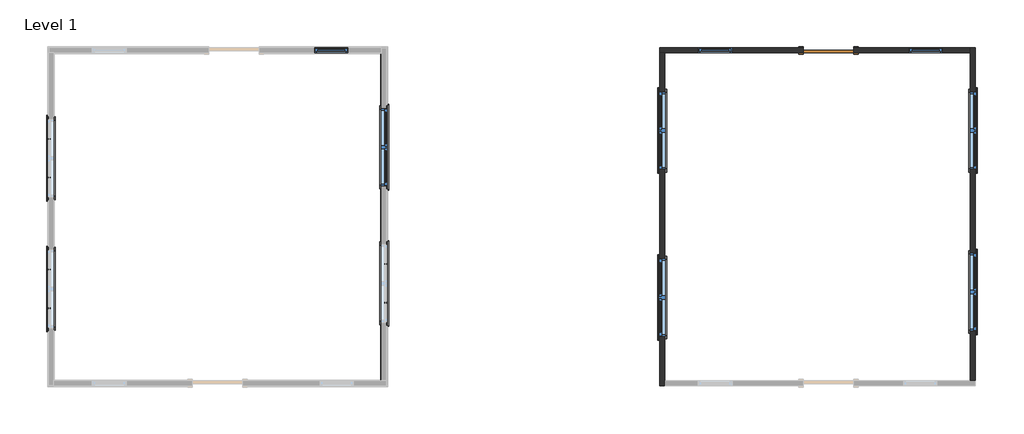
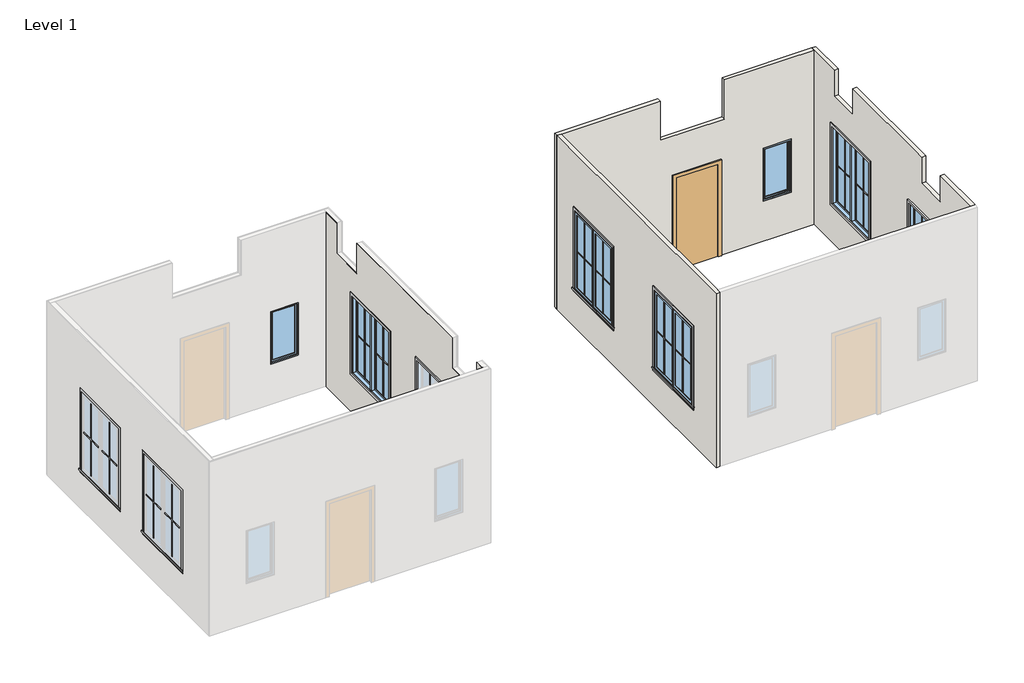
# One storey, part 2 of 2: 32 proxies, 8 windows, 4 walls, 1 door.
"""IFC4 building model written with IfcOpenShell, lengths in millimetres."""

import ifcopenshell
import ifcopenshell.guid

model = None  # the IFC model being written
_history = None  # IfcOwnerHistory: only IFC2X3 demands one
_inside = {}  # id of a spatial element -> (the spatial element, [elements in it])
_under = {}  # id of a project, library or spatial element -> (it, [spatial elements below it])
_declared = {}  # id of a project -> (the project, [libraries it declares])
_typed = {}  # id of a type object -> (the type object, [elements of that type])
_made_of = {}  # id of a material, layer set ... -> (it, [elements and type objects made of it])


def new_model(schema):
    """Start an empty IFC model of exactly this schema.

    Asked for "IFC4X3", IfcOpenShell would pick the latest addendum, in which some entities
    have other attributes; the version numbers below select the first issue.
    IFC2X3 requires an IfcOwnerHistory on every rooted entity: one is made here for all.
    """
    global model, _history
    if schema == "IFC4X3":
        model = ifcopenshell.file(schema_version=(4, 3, 0, 0))
    else:
        model = ifcopenshell.file(schema=schema)
    _inside.clear()
    _under.clear()
    _declared.clear()
    _typed.clear()
    _made_of.clear()
    _history = None
    if model.schema == "IFC2X3":
        org = make("IfcOrganization", Name="unknown")
        user = make(
            "IfcPersonAndOrganization",
            ThePerson=make("IfcPerson", FamilyName="unknown"),
            TheOrganization=org,
        )
        app = make(
            "IfcApplication",
            ApplicationDeveloper=org,
            Version="unknown",
            ApplicationFullName="unknown",
            ApplicationIdentifier="unknown",
        )
        _history = make(
            "IfcOwnerHistory",
            OwningUser=user,
            OwningApplication=app,
            ChangeAction="ADDED",
            CreationDate=0,
        )
    return model


def make(cls, **values):
    """One entity of the class cls with the attributes given. An attribute that is None is left unset."""
    return model.create_entity(
        cls, **{name: value for name, value in values.items() if value is not None}
    )


def rooted(cls, **values):
    """An entity with a GlobalId (a new one), such as an element, a storey or a relation."""
    return make(cls, GlobalId=ifcopenshell.guid.new(), OwnerHistory=_history, **values)


def si_unit(unit_type, name, prefix=None):
    """IfcSIUnit, for example si_unit("LENGTHUNIT", "METRE", prefix="MILLI")."""
    return make("IfcSIUnit", UnitType=unit_type, Prefix=prefix, Name=name)


def assignment(units):
    """IfcUnitAssignment: the units of a project."""
    return None if units is None else make("IfcUnitAssignment", Units=units)


def point(xyz):
    """IfcCartesianPoint."""
    return None if xyz is None else make("IfcCartesianPoint", Coordinates=xyz)


def direction(xyz):
    """IfcDirection."""
    return None if xyz is None else make("IfcDirection", DirectionRatios=xyz)


def frame(location, z_axis=None, x_axis=None):
    """IfcAxis2Placement3D, a coordinate frame: its origin and axes. An axis left out is left unset."""
    return make(
        "IfcAxis2Placement3D",
        Location=point(location),
        Axis=direction(z_axis),
        RefDirection=direction(x_axis),
    )


def origin():
    """The frame at (0, 0, 0) with its axes left unset."""
    return frame((0.0, 0.0, 0.0))


def origin_with_axes():
    """The frame at (0, 0, 0) with the z axis (0, 0, 1) and the x axis (1, 0, 0) written out."""
    return frame((0.0, 0.0, 0.0), z_axis=(0.0, 0.0, 1.0), x_axis=(1.0, 0.0, 0.0))


def place(relative_to, where):
    """IfcLocalPlacement: puts the frame where relative to a parent placement (None: the world)."""
    return make(
        "IfcLocalPlacement", PlacementRelTo=relative_to, RelativePlacement=where
    )


def context(
    kind, dimensions, precision=None, world=None, true_north=None, identifier=None
):
    """IfcGeometricRepresentationContext, for example the 3D "Model" context."""
    return make(
        "IfcGeometricRepresentationContext",
        ContextIdentifier=identifier,
        ContextType=kind,
        CoordinateSpaceDimension=dimensions,
        Precision=precision,
        WorldCoordinateSystem=world,
        TrueNorth=true_north,
    )


def project(units=None, contexts=None):
    """IfcProject with its units and contexts."""
    return rooted(
        "IfcProject",
        Name="project",
        RepresentationContexts=contexts,
        UnitsInContext=assignment(units),
    )


def spatial(cls, under=None, at=None, **own):
    """A site, building, storey or space (cls), placed at a placement, below another one or the project."""
    s = rooted(cls, ObjectPlacement=at, **own)
    if under is not None:
        _under.setdefault(under.id(), (under, []))[1].append(s)
    return s


def polyline(points):
    """IfcPolyline through the points."""
    return make("IfcPolyline", Points=[point(p) for p in points])


def outline(outer, holes=None, kind="AREA"):
    """IfcArbitraryClosedProfileDef: a profile drawn as a closed curve; with holes, ...WithVoids."""
    if holes is None:
        return make("IfcArbitraryClosedProfileDef", ProfileType=kind, OuterCurve=outer)
    return make(
        "IfcArbitraryProfileDefWithVoids",
        ProfileType=kind,
        OuterCurve=outer,
        InnerCurves=holes,
    )


def extrude(swept, where, along, depth):
    """IfcExtrudedAreaSolid: the profile swept, set in the frame where, extruded along a direction by depth."""
    return make(
        "IfcExtrudedAreaSolid",
        SweptArea=swept,
        Position=where,
        ExtrudedDirection=direction(along),
        Depth=depth,
    )


def faces_of(points, faces, orient=None, outer=None):
    """IfcFace entities. A face is a list of loops; a loop is a list of indices into points, from 0.

    orient and outer hold one flag for each loop. By default every Orientation is true, the
    first loop of a face is its IfcFaceOuterBound and the others are IfcFaceBound.
    """
    made = []
    for i, loops in enumerate(faces):
        bounds = []
        for j, loop in enumerate(loops):
            is_outer = j == 0 if outer is None else outer[i][j]
            bounds.append(
                make(
                    "IfcFaceOuterBound" if is_outer else "IfcFaceBound",
                    Bound=make("IfcPolyLoop", Polygon=[points[k] for k in loop]),
                    Orientation=True if orient is None else orient[i][j],
                )
            )
        made.append(make("IfcFace", Bounds=bounds))
    return made


def faceted_brep(points, faces, orient=None, outer=None, voids=None):
    """IfcFacetedBrep: a solid bounded by flat faces; with voids (closed shells), ...WithVoids."""
    shared = [point(p) for p in points]
    hull = make("IfcClosedShell", CfsFaces=faces_of(shared, faces, orient, outer))
    if voids is None:
        return make("IfcFacetedBrep", Outer=hull)
    return make(
        "IfcFacetedBrepWithVoids",
        Outer=hull,
        Voids=[
            make(cls, CfsFaces=faces_of(shared, fs, o, b)) for cls, fs, o, b in voids
        ],
    )


def shape(context_of_items, identifier, shape_type, items):
    """IfcShapeRepresentation: the items that make up one representation, for example the "Body"."""
    return make(
        "IfcShapeRepresentation",
        ContextOfItems=context_of_items,
        RepresentationIdentifier=identifier,
        RepresentationType=shape_type,
        Items=items,
    )


def source(mapping_origin, context_of_items, identifier, shape_type, items):
    """IfcRepresentationMap: a shape defined once, which mapped items show again and again."""
    return make(
        "IfcRepresentationMap",
        MappingOrigin=mapping_origin,
        MappedRepresentation=shape(context_of_items, identifier, shape_type, items),
    )


def transform(
    local_origin,
    x_axis=None,
    y_axis=None,
    z_axis=None,
    scale=None,
    scale2=None,
    scale3=None,
    uniform=True,
):
    """IfcCartesianTransformationOperator3D, or its non-uniform kind. x_axis, y_axis, z_axis: its Axis1, 2, 3."""
    if uniform:
        return make(
            "IfcCartesianTransformationOperator3D",
            Axis1=direction(x_axis),
            Axis2=direction(y_axis),
            LocalOrigin=point(local_origin),
            Scale=scale,
            Axis3=direction(z_axis),
        )
    return make(
        "IfcCartesianTransformationOperator3DnonUniform",
        Axis1=direction(x_axis),
        Axis2=direction(y_axis),
        LocalOrigin=point(local_origin),
        Scale=scale,
        Axis3=direction(z_axis),
        Scale2=scale2,
        Scale3=scale3,
    )


def mapped(mapping_source, mapping_target):
    """IfcMappedItem: shows the shape of a source again, moved by a transform."""
    return make(
        "IfcMappedItem", MappingSource=mapping_source, MappingTarget=mapping_target
    )


def made_of(thing, what):
    """Note that an element or type object is made of a material, layer set ...; save() writes the relation."""
    if what is not None:
        _made_of.setdefault(what.id(), (what, []))[1].append(thing)
    return thing


def element(
    cls,
    number,
    at=None,
    inside=None,
    cuts=None,
    type_object=None,
    material=None,
    context=None,
    identifier="Body",
    shape_type=None,
    held_by="IfcProductDefinitionShape",
    body=None,
    shapes=None,
    **own,
):
    """One element of the class cls, such as IfcWall. Its Tag is "e" and its number.

    at: its placement. inside: the storey or other place that contains it. cuts: it is an
    opening in that element (IfcRelVoidsElement). A single representation is given by context,
    identifier, shape_type and body (its items); several are given by shapes. held_by: the class
    of the entity that holds the representations. save() writes the other relations.
    """
    e = rooted(cls, Tag="e%d" % number, ObjectPlacement=at, **own)
    if body is not None:
        shapes = [shape(context, identifier, shape_type, body)]
    if shapes is not None:
        e.Representation = make(held_by, Representations=shapes)
    if inside is not None:
        _inside.setdefault(inside.id(), (inside, []))[1].append(e)
    if cuts is not None:
        rooted(
            "IfcRelVoidsElement", RelatingBuildingElement=cuts, RelatedOpeningElement=e
        )
    if type_object is not None:
        _typed.setdefault(type_object.id(), (type_object, []))[1].append(e)
    return made_of(e, material)


def aggregate(whole, parts):
    """IfcRelAggregates: a whole, such as a stair, and the parts it consists of."""
    return rooted("IfcRelAggregates", RelatingObject=whole, RelatedObjects=parts)


def save(model, path):
    """Write the relations noted so far, then the file.

    IfcRelAggregates (storeys below a building ...), IfcRelContainedInSpatialStructure (elements
    in a storey), IfcRelDefinesByType, IfcRelAssociatesMaterial and IfcRelDeclares: one each for
    every whole, place, type object, material and project.
    """
    for whole, parts in _under.values():
        aggregate(whole, parts)
    for where, things in _inside.values():
        rooted(
            "IfcRelContainedInSpatialStructure",
            RelatedElements=things,
            RelatingStructure=where,
        )
    for kind, things in _typed.values():
        rooted("IfcRelDefinesByType", RelatedObjects=things, RelatingType=kind)
    for what, things in _made_of.values():
        rooted("IfcRelAssociatesMaterial", RelatedObjects=things, RelatingMaterial=what)
    for by, libraries in _declared.values():
        rooted("IfcRelDeclares", RelatingContext=by, RelatedDefinitions=libraries)
    model.write(path)


def m_muntin_pattern_2x2_m_muntin_pattern_2x2_d2d4b859(model_context):
    return source(origin(), model_context, "Body", "SweptSolid", [
        extrude(outline(polyline([(836.5, -6.35), (836.5, -281.7375), (823.8, -281.7375), (823.8, -6.35), (0.0, -6.35), (0.0, 6.35), (823.8, 6.35), (823.8, 281.7375), (836.5, 281.7375), (836.5, 6.35), (1660.3, 6.35), (1660.3, -6.35), (836.5, -6.35)])), frame((0.0, 9.525, 0.0), z_axis=(0.0, 1.0, 0.0), x_axis=(0.0, 0.0, 1.0)), (0.0, 0.0, 1.0), 12.7),
        extrude(outline(polyline([(836.5, -6.35), (836.5, -281.7375), (823.8, -281.7375), (823.8, -6.35), (0.0, -6.35), (0.0, 6.35), (823.8, 6.35), (823.8, 281.7375), (836.5, 281.7375), (836.5, 6.35), (1660.3, 6.35), (1660.3, -6.35), (836.5, -6.35)])), frame((0.0, -22.225, 0.0), z_axis=(0.0, 1.0, 0.0), x_axis=(0.0, 0.0, 1.0)), (0.0, 0.0, 1.0), 12.7),
    ])


def m_muntin_pattern_2x2_m_muntin_pattern_2x2_f3921bb5(model_context):
    return source(origin(), model_context, "Body", "SweptSolid", [
        extrude(outline(polyline([(836.5, -6.35), (836.5, -281.7375), (823.8, -281.7375), (823.8, -6.35), (0.0, -6.35), (0.0, 6.35), (823.8, 6.35), (823.8, 281.7375), (836.5, 281.7375), (836.5, 6.35), (1660.3, 6.35), (1660.3, -6.35), (836.5, -6.35)])), frame((0.0, -22.225, 0.0), z_axis=(0.0, 1.0, 0.0), x_axis=(0.0, 0.0, 1.0)), (0.0, 0.0, 1.0), 12.7),
        extrude(outline(polyline([(836.5, -6.35), (836.5, -281.7375), (823.8, -281.7375), (823.8, -6.35), (0.0, -6.35), (0.0, 6.35), (823.8, 6.35), (823.8, 281.7375), (836.5, 281.7375), (836.5, 6.35), (1660.3, 6.35), (1660.3, -6.35), (836.5, -6.35)])), frame((0.0, 9.525, 0.0), z_axis=(0.0, 1.0, 0.0), x_axis=(0.0, 0.0, 1.0)), (0.0, 0.0, 1.0), 12.7),
    ])


def m_trim_window_exterior_flat_with_sill_136e302d(model_context):
    return source(origin(), model_context, "Body", "SweptSolid", [
        extrude(outline(polyline([(760.0, -1820.4323709), (760.0, -1880.4323709), (-760.0, -1880.4323709), (-760.0, -1820.4323709), (760.0, -1820.4323709)])), origin_with_axes(), (0.0, 0.0, 1.0), 19.05),
        extrude(outline(polyline([(-1830.0, 38.1), (-1802.4580645, 38.1), (-1800.0, 19.05), (-1800.0, 0.0), (-1820.4323709, 0.0), (-1820.4323709, 19.05), (-1830.0, 19.05), (-1830.0, 38.1)])), frame((-772.7, 0.0, 0.0), z_axis=(1.0, 0.0, 0.0), x_axis=(0.0, 1.0, 0.0)), (0.0, 0.0, 1.0), 1545.4),
        extrude(outline(polyline([(-760.0, 60.0), (760.0, 60.0), (760.0, -1800.0), (700.0, -1800.0), (700.0, 0.0), (-700.0, 0.0), (-700.0, -1800.0), (-760.0, -1800.0), (-760.0, 60.0)])), origin_with_axes(), (0.0, 0.0, 1.0), 19.05),
    ])


def m_trim_window_interior_flat_picture_frame_c6c50358(model_context):
    return source(origin(), model_context, "Body", "SweptSolid", [
        extrude(outline(polyline([(747.3, 47.3), (747.3, -1847.3), (-747.3, -1847.3), (-747.3, 47.3), (747.3, 47.3)]), holes=[polyline([(687.3, -12.7), (-687.3, -12.7), (-687.3, -1787.3), (687.3, -1787.3), (687.3, -12.7)])]), origin_with_axes(), (0.0, 0.0, 1.0), 30.0),
    ])


def m_single_flush_0915_x_2134mm_342467fd(model_context):
    return source(origin(), model_context, "Body", "SweptSolid", [
        extrude(outline(polyline([(2210.0, -533.5), (0.0, -533.5), (0.0, -457.5), (2134.0, -457.5), (2134.0, 457.5), (0.0, 457.5), (0.0, 533.5), (2210.0, 533.5), (2210.0, -533.5)])), frame((0.0, 45.0, 0.0), z_axis=(0.0, 1.0, 0.0), x_axis=(0.0, 0.0, 1.0)), (0.0, 0.0, 1.0), 25.0),
        extrude(outline(polyline([(2210.0, 533.5), (2210.0, -533.5), (0.0, -533.5), (0.0, -457.5), (2134.0, -457.5), (2134.0, 457.5), (0.0, 457.5), (0.0, 533.5), (2210.0, 533.5)])), frame((0.0, -70.0, 0.0), z_axis=(0.0, 1.0, 0.0), x_axis=(0.0, 0.0, 1.0)), (0.0, 0.0, 1.0), 25.0),
        extrude(outline(polyline([(457.5, -6.0), (-457.5, -6.0), (-457.5, 45.0), (457.5, 45.0), (457.5, -6.0)])), origin_with_axes(), (0.0, 0.0, 1.0), 2134.0),
    ])


def m_fixed_0610_x_1220mm_3442b736(model_context):
    return source(origin(), model_context, "Body", "SweptSolid", [
        extrude(outline(polyline([(-242.0, 23.0), (242.0, 23.0), (242.0, 11.0), (-242.0, 11.0), (-242.0, 23.0)])), frame((0.0, 0.0, 978.0), z_axis=(0.0, 0.0, 1.0), x_axis=(1.0, 0.0, 0.0)), (0.0, 0.0, 1.0), 1094.0),
        extrude(outline(polyline([(2116.0, -286.0), (934.0, -286.0), (934.0, 286.0), (2116.0, 286.0), (2116.0, -286.0)]), holes=[polyline([(2072.0, -242.0), (2072.0, 242.0), (978.0, 242.0), (978.0, -242.0), (2072.0, -242.0)])]), frame((0.0, -5.0, 0.0), z_axis=(0.0, 1.0, 0.0), x_axis=(0.0, 0.0, 1.0)), (0.0, 0.0, 1.0), 44.0),
        extrude(outline(polyline([(2135.0, -305.0), (915.0, -305.0), (915.0, 305.0), (2135.0, 305.0), (2135.0, -305.0)]), holes=[polyline([(2116.0, -286.0), (2116.0, 286.0), (934.0, 286.0), (934.0, -286.0), (2116.0, -286.0)])]), frame((0.0, -5.0, 0.0), z_axis=(0.0, 1.0, 0.0), x_axis=(0.0, 0.0, 1.0)), (0.0, 0.0, 1.0), 63.0),
        extrude(outline(polyline([(2135.0, -305.0), (915.0, -305.0), (915.0, 305.0), (2135.0, 305.0), (2135.0, -305.0)]), holes=[polyline([(2103.0, -273.0), (2103.0, 273.0), (947.0, 273.0), (947.0, -273.0), (2103.0, -273.0)])]), frame((0.0, -32.0, 0.0), z_axis=(0.0, 1.0, 0.0), x_axis=(0.0, 0.0, 1.0)), (0.0, 0.0, 1.0), 27.0),
    ])


def m_window_casement_double_1400_x_1800mm_9bbf564a(model_context):
    return source(origin(), model_context, "Body", "SolidModel", [
        faceted_brep([(9.525, 64.05, 2687.3), (-9.525, 64.05, 2687.3), (-9.525, 13.25, 2687.3), (9.525, 13.25, 2687.3), (9.525, 64.05, 912.7), (9.525, 13.25, 912.7), (-9.525, 13.25, 912.7), (-9.525, 64.05, 912.7), (-9.525, 13.25, 931.75), (-9.525, 13.25, 2668.25), (-30.1625, 13.25, 931.75), (-30.1625, 13.25, 2668.25), (-30.1625, -50.25, 931.75), (-30.1625, -50.25, 2668.25), (30.1625, -50.25, 931.75), (30.1625, -50.25, 2668.25), (30.1625, 13.25, 931.75), (30.1625, 13.25, 2668.25), (9.525, 13.25, 931.75), (9.525, 13.25, 2668.25)], [[[0, 1, 2, 3]], [[4, 5, 6, 7]], [[1, 0, 4, 7]], [[2, 1, 7, 6, 8, 9]], [[9, 8, 10, 11]], [[11, 10, 12, 13]], [[13, 12, 14, 15]], [[15, 14, 16, 17]], [[17, 16, 18, 19]], [[0, 3, 19, 18, 5, 4]], [[18, 8, 6, 5]], [[9, 19, 3, 2]], [[8, 18, 16, 14, 12, 10]], [[19, 9, 11, 13, 15, 17]]]),
        extrude(outline(polyline([(-66.675, 45.0), (-66.675, 38.65), (-630.15, 38.65), (-630.15, 45.0), (-66.675, 45.0)])), frame((0.0, 0.0, 969.85), z_axis=(0.0, 0.0, 1.0), x_axis=(1.0, 0.0, 0.0)), (0.0, 0.0, 1.0), 1660.3),
        extrude(outline(polyline([(-630.15, 25.95), (-630.15, 32.3), (-66.675, 32.3), (-66.675, 25.95), (-630.15, 25.95)])), frame((0.0, 0.0, 969.85), z_axis=(0.0, 0.0, 1.0), x_axis=(1.0, 0.0, 0.0)), (0.0, 0.0, 1.0), 1660.3),
        extrude(outline(polyline([(630.15, 45.0), (630.15, 38.65), (66.675, 38.65), (66.675, 45.0), (630.15, 45.0)])), frame((0.0, 0.0, 969.85), z_axis=(0.0, 0.0, 1.0), x_axis=(1.0, 0.0, 0.0)), (0.0, 0.0, 1.0), 1660.3),
        extrude(outline(polyline([(66.675, 25.95), (66.675, 32.3), (630.15, 32.3), (630.15, 25.95), (66.675, 25.95)])), frame((0.0, 0.0, 969.85), z_axis=(0.0, 0.0, 1.0), x_axis=(1.0, 0.0, 0.0)), (0.0, 0.0, 1.0), 1660.3),
        extrude(outline(polyline([(2687.3, -687.3), (912.7, -687.3), (912.7, -9.525), (2687.3, -9.525), (2687.3, -687.3)]), holes=[polyline([(2630.15, -66.675), (969.85, -66.675), (969.85, -630.15), (2630.15, -630.15), (2630.15, -66.675)])]), frame((0.0, 13.25, 0.0), z_axis=(0.0, 1.0, 0.0), x_axis=(0.0, 0.0, 1.0)), (0.0, 0.0, 1.0), 44.45),
        extrude(outline(polyline([(912.7, 687.3), (2687.3, 687.3), (2687.3, 9.525), (912.7, 9.525), (912.7, 687.3)]), holes=[polyline([(969.85, 66.675), (2630.15, 66.675), (2630.15, 630.15), (969.85, 630.15), (969.85, 66.675)])]), frame((0.0, 13.25, 0.0), z_axis=(0.0, 1.0, 0.0), x_axis=(0.0, 0.0, 1.0)), (0.0, 0.0, 1.0), 44.45),
        faceted_brep([(668.25, 13.25, 2668.25), (668.25, -50.25, 2668.25), (-668.25, -50.25, 2668.25), (-668.25, 13.25, 2668.25), (687.3, 64.05, 2687.3), (687.3, 13.25, 2687.3), (-687.3, 13.25, 2687.3), (-687.3, 64.05, 2687.3), (700.0, -50.25, 2700.0), (700.0, 64.05, 2700.0), (-700.0, 64.05, 2700.0), (-700.0, -50.25, 2700.0), (-668.25, -50.25, 931.75), (-668.25, 13.25, 931.75), (-687.3, 13.25, 912.7), (-687.3, 64.05, 912.7), (-700.0, 64.05, 900.0), (-700.0, -50.25, 900.0), (668.25, -50.25, 931.75), (668.25, 13.25, 931.75), (687.3, 13.25, 912.7), (687.3, 64.05, 912.7), (700.0, 64.05, 900.0), (700.0, -50.25, 900.0)], [[[0, 1, 2, 3]], [[4, 5, 6, 7]], [[8, 9, 10, 11]], [[3, 2, 12, 13]], [[7, 6, 14, 15]], [[11, 10, 16, 17]], [[13, 12, 18, 19]], [[15, 14, 20, 21]], [[17, 16, 22, 23]], [[11, 17, 23, 8], [1, 18, 12, 2]], [[19, 18, 1, 0]], [[5, 20, 14, 6], [3, 13, 19, 0]], [[21, 20, 5, 4]], [[23, 22, 9, 8]], [[9, 22, 16, 10], [7, 15, 21, 4]]]),
    ])


model = new_model("IFC4")

# Units and contexts
model_context = context("Model", 3, world=origin())
ifc_project = project(units=[si_unit("LENGTHUNIT", "METRE", prefix="MILLI")], contexts=[model_context])

# Site, building, storey
site = spatial("IfcSite", under=ifc_project)
building = spatial("IfcBuilding", under=site)
storey = spatial("IfcBuildingStorey", under=building, Name="Level 1", Elevation=0.0)

# Proxies
placement = place(None, origin())
m_muntin_pattern_2x2_m_muntin_pattern_2x2_shape = m_muntin_pattern_2x2_m_muntin_pattern_2x2_d2d4b859(model_context)
element("IfcBuildingElementProxy", 1, Name="M_Muntin Pattern_2x2 : M_Muntin Pattern_2x2", ObjectType="M_Muntin Pattern_2x2 : M_Muntin Pattern_2x2", at=placement, inside=storey, context=model_context, shape_type="MappedRepresentation", body=[
    mapped(m_muntin_pattern_2x2_m_muntin_pattern_2x2_shape, transform((-4899.9797201, 2783.2334401, 969.85), x_axis=(0.0, 1.0, 0.0), y_axis=(-1.0, 0.0, 0.0), z_axis=(0.0, 0.0, 1.0))),
])
element("IfcBuildingElementProxy", 2, Name="M_Muntin Pattern_2x2 : M_Muntin Pattern_2x2", ObjectType="M_Muntin Pattern_2x2 : M_Muntin Pattern_2x2", at=placement, inside=storey, context=model_context, shape_type="MappedRepresentation", body=[
    mapped(m_muntin_pattern_2x2_m_muntin_pattern_2x2_shape, transform((-4899.9797201, 428.2334401, 969.85), x_axis=(0.0, 1.0, 0.0), y_axis=(-1.0, 0.0, 0.0), z_axis=(0.0, 0.0, 1.0))),
])
element("IfcBuildingElementProxy", 3, Name="M_Muntin Pattern_2x2 : M_Muntin Pattern_2x2", ObjectType="M_Muntin Pattern_2x2 : M_Muntin Pattern_2x2", at=placement, inside=storey, context=model_context, shape_type="MappedRepresentation", body=[
    mapped(m_muntin_pattern_2x2_m_muntin_pattern_2x2_shape, transform((1170.9702799, 3680.0584401, 969.85), x_axis=(0.0, -1.0, 0.0), y_axis=(1.0, 0.0, 0.0), z_axis=(0.0, 0.0, 1.0))),
])
element("IfcBuildingElementProxy", 4, Name="M_Muntin Pattern_2x2 : M_Muntin Pattern_2x2", ObjectType="M_Muntin Pattern_2x2 : M_Muntin Pattern_2x2", at=placement, inside=storey, context=model_context, shape_type="MappedRepresentation", body=[
    mapped(m_muntin_pattern_2x2_m_muntin_pattern_2x2_shape, transform((1170.9702799, 1225.0584401, 969.85), x_axis=(0.0, -1.0, 0.0), y_axis=(1.0, 0.0, 0.0), z_axis=(0.0, 0.0, 1.0))),
])
element("IfcBuildingElementProxy", 5, Name="M_Muntin Pattern_2x2 : M_Muntin Pattern_2x2", ObjectType="M_Muntin Pattern_2x2 : M_Muntin Pattern_2x2", at=placement, inside=storey, context=model_context, shape_type="MappedRepresentation", body=[
    mapped(m_muntin_pattern_2x2_m_muntin_pattern_2x2_shape, transform((6121.4761173, 3283.2334401, 969.85), x_axis=(0.0, 1.0, 0.0), y_axis=(-1.0, 0.0, 0.0), z_axis=(0.0, 0.0, 1.0))),
])
element("IfcBuildingElementProxy", 6, Name="M_Muntin Pattern_2x2 : M_Muntin Pattern_2x2", ObjectType="M_Muntin Pattern_2x2 : M_Muntin Pattern_2x2", at=placement, inside=storey, context=model_context, shape_type="MappedRepresentation", body=[
    mapped(m_muntin_pattern_2x2_m_muntin_pattern_2x2_shape, transform((6121.4761173, 273.2334401, 969.85), x_axis=(0.0, 1.0, 0.0), y_axis=(-1.0, 0.0, 0.0), z_axis=(0.0, 0.0, 1.0))),
])
element("IfcBuildingElementProxy", 7, Name="M_Muntin Pattern_2x2 : M_Muntin Pattern_2x2", ObjectType="M_Muntin Pattern_2x2 : M_Muntin Pattern_2x2", at=placement, inside=storey, context=model_context, shape_type="MappedRepresentation", body=[
    mapped(m_muntin_pattern_2x2_m_muntin_pattern_2x2_shape, transform((11789.1911769, 3980.0584401, 969.85), x_axis=(0.0, -1.0, 0.0), y_axis=(1.0, 0.0, 0.0), z_axis=(0.0, 0.0, 1.0))),
])
element("IfcBuildingElementProxy", 8, Name="M_Muntin Pattern_2x2 : M_Muntin Pattern_2x2", ObjectType="M_Muntin Pattern_2x2 : M_Muntin Pattern_2x2", at=placement, inside=storey, context=model_context, shape_type="MappedRepresentation", body=[
    mapped(m_muntin_pattern_2x2_m_muntin_pattern_2x2_shape, transform((11789.1911769, 1070.0584401, 969.85), x_axis=(0.0, -1.0, 0.0), y_axis=(1.0, 0.0, 0.0), z_axis=(0.0, 0.0, 1.0))),
])
m_muntin_pattern_2x2_m_muntin_pattern_2x2_2_shape = m_muntin_pattern_2x2_m_muntin_pattern_2x2_f3921bb5(model_context)
element("IfcBuildingElementProxy", 9, Name="M_Muntin Pattern_2x2 : M_Muntin Pattern_2x2", ObjectType="M_Muntin Pattern_2x2 : M_Muntin Pattern_2x2", at=placement, inside=storey, context=model_context, shape_type="MappedRepresentation", body=[
    mapped(m_muntin_pattern_2x2_m_muntin_pattern_2x2_2_shape, transform((-4899.9797201, 3480.0584401, 969.85), x_axis=(0.0, -1.0, 0.0), y_axis=(1.0, 0.0, 0.0), z_axis=(0.0, 0.0, 1.0))),
])
element("IfcBuildingElementProxy", 10, Name="M_Muntin Pattern_2x2 : M_Muntin Pattern_2x2", ObjectType="M_Muntin Pattern_2x2 : M_Muntin Pattern_2x2", at=placement, inside=storey, context=model_context, shape_type="MappedRepresentation", body=[
    mapped(m_muntin_pattern_2x2_m_muntin_pattern_2x2_2_shape, transform((-4899.9797201, 1125.0584401, 969.85), x_axis=(0.0, -1.0, 0.0), y_axis=(1.0, 0.0, 0.0), z_axis=(0.0, 0.0, 1.0))),
])
element("IfcBuildingElementProxy", 11, Name="M_Muntin Pattern_2x2 : M_Muntin Pattern_2x2", ObjectType="M_Muntin Pattern_2x2 : M_Muntin Pattern_2x2", at=placement, inside=storey, context=model_context, shape_type="MappedRepresentation", body=[
    mapped(m_muntin_pattern_2x2_m_muntin_pattern_2x2_2_shape, transform((1170.9702799, 2983.2334401, 969.85), x_axis=(0.0, 1.0, 0.0), y_axis=(-1.0, 0.0, 0.0), z_axis=(0.0, 0.0, 1.0))),
])
element("IfcBuildingElementProxy", 12, Name="M_Muntin Pattern_2x2 : M_Muntin Pattern_2x2", ObjectType="M_Muntin Pattern_2x2 : M_Muntin Pattern_2x2", at=placement, inside=storey, context=model_context, shape_type="MappedRepresentation", body=[
    mapped(m_muntin_pattern_2x2_m_muntin_pattern_2x2_2_shape, transform((1170.9702799, 528.2334401, 969.85), x_axis=(0.0, 1.0, 0.0), y_axis=(-1.0, 0.0, 0.0), z_axis=(0.0, 0.0, 1.0))),
])
element("IfcBuildingElementProxy", 13, Name="M_Muntin Pattern_2x2 : M_Muntin Pattern_2x2", ObjectType="M_Muntin Pattern_2x2 : M_Muntin Pattern_2x2", at=placement, inside=storey, context=model_context, shape_type="MappedRepresentation", body=[
    mapped(m_muntin_pattern_2x2_m_muntin_pattern_2x2_2_shape, transform((6121.4761173, 3980.0584401, 969.85), x_axis=(0.0, -1.0, 0.0), y_axis=(1.0, 0.0, 0.0), z_axis=(0.0, 0.0, 1.0))),
])
element("IfcBuildingElementProxy", 14, Name="M_Muntin Pattern_2x2 : M_Muntin Pattern_2x2", ObjectType="M_Muntin Pattern_2x2 : M_Muntin Pattern_2x2", at=placement, inside=storey, context=model_context, shape_type="MappedRepresentation", body=[
    mapped(m_muntin_pattern_2x2_m_muntin_pattern_2x2_2_shape, transform((6121.4761173, 970.0584401, 969.85), x_axis=(0.0, -1.0, 0.0), y_axis=(1.0, 0.0, 0.0), z_axis=(0.0, 0.0, 1.0))),
])
element("IfcBuildingElementProxy", 15, Name="M_Muntin Pattern_2x2 : M_Muntin Pattern_2x2", ObjectType="M_Muntin Pattern_2x2 : M_Muntin Pattern_2x2", at=placement, inside=storey, context=model_context, shape_type="MappedRepresentation", body=[
    mapped(m_muntin_pattern_2x2_m_muntin_pattern_2x2_2_shape, transform((11789.1911769, 3283.2334401, 969.85), x_axis=(0.0, 1.0, 0.0), y_axis=(-1.0, 0.0, 0.0), z_axis=(0.0, 0.0, 1.0))),
])
element("IfcBuildingElementProxy", 16, Name="M_Muntin Pattern_2x2 : M_Muntin Pattern_2x2", ObjectType="M_Muntin Pattern_2x2 : M_Muntin Pattern_2x2", at=placement, inside=storey, context=model_context, shape_type="MappedRepresentation", body=[
    mapped(m_muntin_pattern_2x2_m_muntin_pattern_2x2_2_shape, transform((11789.1911769, 373.2334401, 969.85), x_axis=(0.0, 1.0, 0.0), y_axis=(-1.0, 0.0, 0.0), z_axis=(0.0, 0.0, 1.0))),
])
m_trim_window_exterior_flat_with_sill_shape = m_trim_window_exterior_flat_with_sill_136e302d(model_context)
element("IfcBuildingElementProxy", 17, Name="M_Trim-Window-Exterior-Flat : with Sill", ObjectType="M_Trim-Window-Exterior-Flat : with Sill", at=placement, inside=storey, context=model_context, shape_type="MappedRepresentation", body=[
    mapped(m_trim_window_exterior_flat_with_sill_shape, transform((-4909.5047201, 3131.6459401, 2700.0), x_axis=(0.0, -1.0, 0.0), y_axis=(0.0, 0.0, 1.0), z_axis=(-1.0, 0.0, 0.0))),
])
element("IfcBuildingElementProxy", 18, Name="M_Trim-Window-Exterior-Flat : with Sill", ObjectType="M_Trim-Window-Exterior-Flat : with Sill", at=placement, inside=storey, context=model_context, shape_type="MappedRepresentation", body=[
    mapped(m_trim_window_exterior_flat_with_sill_shape, transform((-4909.5047201, 776.6459401, 2700.0), x_axis=(0.0, -1.0, 0.0), y_axis=(0.0, 0.0, 1.0), z_axis=(-1.0, 0.0, 0.0))),
])
element("IfcBuildingElementProxy", 19, Name="M_Trim-Window-Exterior-Flat : with Sill", ObjectType="M_Trim-Window-Exterior-Flat : with Sill", at=placement, inside=storey, context=model_context, shape_type="MappedRepresentation", body=[
    mapped(m_trim_window_exterior_flat_with_sill_shape, transform((1180.4952799, 3331.6459401, 2700.0), x_axis=(0.0, 1.0, 0.0), y_axis=(0.0, 0.0, 1.0), z_axis=(1.0, 0.0, 0.0))),
])
element("IfcBuildingElementProxy", 20, Name="M_Trim-Window-Exterior-Flat : with Sill", ObjectType="M_Trim-Window-Exterior-Flat : with Sill", at=placement, inside=storey, context=model_context, shape_type="MappedRepresentation", body=[
    mapped(m_trim_window_exterior_flat_with_sill_shape, transform((1180.4952799, 876.6459401, 2700.0), x_axis=(0.0, 1.0, 0.0), y_axis=(0.0, 0.0, 1.0), z_axis=(1.0, 0.0, 0.0))),
])
element("IfcBuildingElementProxy", 21, Name="M_Trim-Window-Exterior-Flat : with Sill", ObjectType="M_Trim-Window-Exterior-Flat : with Sill", at=placement, inside=storey, context=model_context, shape_type="MappedRepresentation", body=[
    mapped(m_trim_window_exterior_flat_with_sill_shape, transform((6111.9511173, 3631.6459401, 2700.0), x_axis=(0.0, -1.0, 0.0), y_axis=(0.0, 0.0, 1.0), z_axis=(-1.0, 0.0, 0.0))),
])
element("IfcBuildingElementProxy", 22, Name="M_Trim-Window-Exterior-Flat : with Sill", ObjectType="M_Trim-Window-Exterior-Flat : with Sill", at=placement, inside=storey, context=model_context, shape_type="MappedRepresentation", body=[
    mapped(m_trim_window_exterior_flat_with_sill_shape, transform((6111.9511173, 621.6459401, 2700.0), x_axis=(0.0, -1.0, 0.0), y_axis=(0.0, 0.0, 1.0), z_axis=(-1.0, 0.0, 0.0))),
])
element("IfcBuildingElementProxy", 23, Name="M_Trim-Window-Exterior-Flat : with Sill", ObjectType="M_Trim-Window-Exterior-Flat : with Sill", at=placement, inside=storey, context=model_context, shape_type="MappedRepresentation", body=[
    mapped(m_trim_window_exterior_flat_with_sill_shape, transform((11798.7161769, 3631.6459401, 2700.0), x_axis=(0.0, 1.0, 0.0), y_axis=(0.0, 0.0, 1.0), z_axis=(1.0, 0.0, 0.0))),
])
element("IfcBuildingElementProxy", 24, Name="M_Trim-Window-Exterior-Flat : with Sill", ObjectType="M_Trim-Window-Exterior-Flat : with Sill", at=placement, inside=storey, context=model_context, shape_type="MappedRepresentation", body=[
    mapped(m_trim_window_exterior_flat_with_sill_shape, transform((11798.7161769, 721.6459401, 2700.0), x_axis=(0.0, 1.0, 0.0), y_axis=(0.0, 0.0, 1.0), z_axis=(1.0, 0.0, 0.0))),
])
m_trim_window_interior_flat_picture_frame_shape = m_trim_window_interior_flat_picture_frame_c6c50358(model_context)
element("IfcBuildingElementProxy", 25, Name="M_Trim-Window-Interior-Flat : Picture Frame", ObjectType="M_Trim-Window-Interior-Flat : Picture Frame", at=placement, inside=storey, context=model_context, shape_type="MappedRepresentation", body=[
    mapped(m_trim_window_interior_flat_picture_frame_shape, transform((-4819.5047201, 3131.6459401, 2700.0), x_axis=(0.0, 1.0, 0.0), y_axis=(0.0, 0.0, 1.0), z_axis=(1.0, 0.0, 0.0))),
])
element("IfcBuildingElementProxy", 26, Name="M_Trim-Window-Interior-Flat : Picture Frame", ObjectType="M_Trim-Window-Interior-Flat : Picture Frame", at=placement, inside=storey, context=model_context, shape_type="MappedRepresentation", body=[
    mapped(m_trim_window_interior_flat_picture_frame_shape, transform((-4819.5047201, 776.6459401, 2700.0), x_axis=(0.0, 1.0, 0.0), y_axis=(0.0, 0.0, 1.0), z_axis=(1.0, 0.0, 0.0))),
])
element("IfcBuildingElementProxy", 27, Name="M_Trim-Window-Interior-Flat : Picture Frame", ObjectType="M_Trim-Window-Interior-Flat : Picture Frame", at=placement, inside=storey, context=model_context, shape_type="MappedRepresentation", body=[
    mapped(m_trim_window_interior_flat_picture_frame_shape, transform((1090.4952799, 3331.6459401, 2700.0), x_axis=(0.0, -1.0, 0.0), y_axis=(0.0, 0.0, 1.0), z_axis=(-1.0, 0.0, 0.0))),
])
element("IfcBuildingElementProxy", 28, Name="M_Trim-Window-Interior-Flat : Picture Frame", ObjectType="M_Trim-Window-Interior-Flat : Picture Frame", at=placement, inside=storey, context=model_context, shape_type="MappedRepresentation", body=[
    mapped(m_trim_window_interior_flat_picture_frame_shape, transform((1090.4952799, 876.6459401, 2700.0), x_axis=(0.0, -1.0, 0.0), y_axis=(0.0, 0.0, 1.0), z_axis=(-1.0, 0.0, 0.0))),
])
element("IfcBuildingElementProxy", 29, Name="M_Trim-Window-Interior-Flat : Picture Frame", ObjectType="M_Trim-Window-Interior-Flat : Picture Frame", at=placement, inside=storey, context=model_context, shape_type="MappedRepresentation", body=[
    mapped(m_trim_window_interior_flat_picture_frame_shape, transform((6201.9511173, 3631.6459401, 2700.0), x_axis=(0.0, 1.0, 0.0), y_axis=(0.0, 0.0, 1.0), z_axis=(1.0, 0.0, 0.0))),
])
element("IfcBuildingElementProxy", 30, Name="M_Trim-Window-Interior-Flat : Picture Frame", ObjectType="M_Trim-Window-Interior-Flat : Picture Frame", at=placement, inside=storey, context=model_context, shape_type="MappedRepresentation", body=[
    mapped(m_trim_window_interior_flat_picture_frame_shape, transform((6201.9511173, 621.6459401, 2700.0), x_axis=(0.0, 1.0, 0.0), y_axis=(0.0, 0.0, 1.0), z_axis=(1.0, 0.0, 0.0))),
])
element("IfcBuildingElementProxy", 31, Name="M_Trim-Window-Interior-Flat : Picture Frame", ObjectType="M_Trim-Window-Interior-Flat : Picture Frame", at=placement, inside=storey, context=model_context, shape_type="MappedRepresentation", body=[
    mapped(m_trim_window_interior_flat_picture_frame_shape, transform((11708.7161769, 3631.6459401, 2700.0), x_axis=(0.0, -1.0, 0.0), y_axis=(0.0, 0.0, 1.0), z_axis=(-1.0, 0.0, 0.0))),
])
element("IfcBuildingElementProxy", 32, Name="M_Trim-Window-Interior-Flat : Picture Frame", ObjectType="M_Trim-Window-Interior-Flat : Picture Frame", at=placement, inside=storey, context=model_context, shape_type="MappedRepresentation", body=[
    mapped(m_trim_window_interior_flat_picture_frame_shape, transform((11708.7161769, 721.6459401, 2700.0), x_axis=(0.0, -1.0, 0.0), y_axis=(0.0, 0.0, 1.0), z_axis=(-1.0, 0.0, 0.0))),
])

# Door
m_single_flush_0915_x_2134mm_shape = m_single_flush_0915_x_2134mm_342467fd(model_context)
element("IfcDoor", 33, ObjectType="M_Single-Flush : 0915 x 2134mm", at=placement, inside=storey, context=model_context, shape_type="MappedRepresentation", body=[
    mapped(m_single_flush_0915_x_2134mm_shape, transform((9151.2161769, 5076.6459401, 0.0), x_axis=(-1.0, 0.0, 0.0), y_axis=(0.0, -1.0, 0.0), z_axis=(0.0, 0.0, 1.0))),
])

# Walls
element("IfcWall", 34, ObjectType="Generic - 90mm Brick", at=placement, inside=storey, context=model_context, shape_type="Brep", body=[
    faceted_brep([(6111.9511173, 5031.6459401, 0.0), (6201.9511173, 5031.6459401, 0.0), (8693.7161769, 5031.6459401, 0.0), (8693.7161769, 5031.6459401, 2134.0), (9608.7161769, 5031.6459401, 2134.0), (9608.7161769, 5031.6459401, 0.0), (11708.7161769, 5031.6459401, 0.0), (11708.7161769, 5031.6459401, 4000.0), (9756.9511173, 5031.6459401, 4000.0), (9756.9511173, 5031.6459401, 3100.0), (8356.9511173, 5031.6459401, 3100.0), (8356.9511173, 5031.6459401, 4000.0), (6201.9511173, 5031.6459401, 4000.0), (6111.9511173, 5031.6459401, 4000.0), (10598.7161769, 5031.6459401, 915.0), (10598.7161769, 5031.6459401, 2135.0), (11208.7161769, 5031.6459401, 2135.0), (11208.7161769, 5031.6459401, 915.0), (6801.9511173, 5031.6459401, 915.0), (6801.9511173, 5031.6459401, 2135.0), (7411.9511173, 5031.6459401, 2135.0), (7411.9511173, 5031.6459401, 915.0), (8693.7161769, 5121.6459401, 2134.0), (8693.7161769, 5121.6459401, 0.0), (6111.9511173, 5121.6459401, 0.0), (6111.9511173, 5121.6459401, 4000.0), (8356.9511173, 5121.6459401, 4000.0), (8356.9511173, 5121.6459401, 3100.0), (9756.9511173, 5121.6459401, 3100.0), (9756.9511173, 5121.6459401, 4000.0), (11708.7161769, 5121.6459401, 4000.0), (11708.7161769, 5121.6459401, 0.0), (9608.7161769, 5121.6459401, 0.0), (9608.7161769, 5121.6459401, 2134.0), (10598.7161769, 5121.6459401, 915.0), (11208.7161769, 5121.6459401, 915.0), (11208.7161769, 5121.6459401, 2135.0), (10598.7161769, 5121.6459401, 2135.0), (6801.9511173, 5121.6459401, 915.0), (7411.9511173, 5121.6459401, 915.0), (7411.9511173, 5121.6459401, 2135.0), (6801.9511173, 5121.6459401, 2135.0)], [[[0, 1, 2, 3, 4, 5, 6, 7, 8, 9, 10, 11, 12, 13], [14, 15, 16, 17], [18, 19, 20, 21]], [[22, 23, 24, 25, 26, 27, 28, 29, 30, 31, 32, 33], [34, 35, 36, 37], [38, 39, 40, 41]], [[0, 13, 25, 24]], [[7, 6, 31, 30]], [[3, 2, 23, 22]], [[4, 3, 22, 33]], [[5, 4, 33, 32]], [[15, 14, 34, 37]], [[16, 15, 37, 36]], [[17, 16, 36, 35]], [[14, 17, 35, 34]], [[19, 18, 38, 41]], [[20, 19, 41, 40]], [[21, 20, 40, 39]], [[18, 21, 39, 38]], [[32, 31, 6, 5]], [[24, 23, 2, 1, 0]], [[8, 7, 30, 29]], [[9, 8, 29, 28]], [[10, 9, 28, 27]], [[11, 10, 27, 26]], [[13, 12, 11, 26, 25]]]),
])
element("IfcWall", 35, ObjectType="Generic - 90mm Brick", at=placement, inside=storey, context=model_context, shape_type="Brep", body=[
    faceted_brep([(6201.9511173, -968.3540599, 0.0), (6201.9511173, -878.3540599, 0.0), (6201.9511173, 5031.6459401, 0.0), (6201.9511173, 5031.6459401, 4000.0), (6201.9511173, -878.3540599, 4000.0), (6201.9511173, -968.3540599, 4000.0), (6201.9511173, 4331.6459401, 2700.0), (6201.9511173, 4331.6459401, 900.0), (6201.9511173, 2931.6459401, 900.0), (6201.9511173, 2931.6459401, 2700.0), (6201.9511173, 1321.6459401, 2700.0), (6201.9511173, 1321.6459401, 900.0), (6201.9511173, -78.3540599, 900.0), (6201.9511173, -78.3540599, 2700.0), (6111.9511173, -968.3540599, 0.0), (6111.9511173, -968.3540599, 4000.0), (6111.9511173, 5031.6459401, 4000.0), (6111.9511173, 5031.6459401, 0.0), (6111.9511173, 4331.6459401, 2700.0), (6111.9511173, 2931.6459401, 2700.0), (6111.9511173, 2931.6459401, 900.0), (6111.9511173, 4331.6459401, 900.0), (6111.9511173, 1321.6459401, 2700.0), (6111.9511173, -78.3540599, 2700.0), (6111.9511173, -78.3540599, 900.0), (6111.9511173, 1321.6459401, 900.0)], [[[0, 1, 2, 3, 4, 5], [6, 7, 8, 9], [10, 11, 12, 13]], [[14, 15, 16, 17], [18, 19, 20, 21], [22, 23, 24, 25]], [[2, 1, 0, 14, 17]], [[5, 4, 3, 16, 15]], [[0, 5, 15, 14]], [[3, 2, 17, 16]], [[7, 6, 18, 21]], [[8, 7, 21, 20]], [[9, 8, 20, 19]], [[6, 9, 19, 18]], [[11, 10, 22, 25]], [[12, 11, 25, 24]], [[13, 12, 24, 23]], [[10, 13, 23, 22]]]),
])
element("IfcWall", 36, ObjectType="Generic - 90mm Brick", at=placement, inside=storey, context=model_context, shape_type="Brep", body=[
    faceted_brep([(11708.7161769, 5121.6459401, 0.0), (11708.7161769, 5031.6459401, 0.0), (11708.7161769, -878.3540599, 0.0), (11708.7161769, -878.3540599, 4000.0), (11708.7161769, 276.6459401, 4000.0), (11708.7161769, 276.6459401, 3400.0), (11708.7161769, 976.6459401, 3400.0), (11708.7161769, 976.6459401, 4000.0), (11708.7161769, 3576.6459401, 4000.0), (11708.7161769, 3576.6459401, 3400.0), (11708.7161769, 4276.6459401, 3400.0), (11708.7161769, 4276.6459401, 4000.0), (11708.7161769, 5031.6459401, 4000.0), (11708.7161769, 5121.6459401, 4000.0), (11708.7161769, 2931.6459401, 2700.0), (11708.7161769, 2931.6459401, 900.0), (11708.7161769, 4331.6459401, 900.0), (11708.7161769, 4331.6459401, 2700.0), (11708.7161769, 21.6459401, 2700.0), (11708.7161769, 21.6459401, 900.0), (11708.7161769, 1421.6459401, 900.0), (11708.7161769, 1421.6459401, 2700.0), (11798.7161769, 5121.6459401, 0.0), (11798.7161769, 5121.6459401, 4000.0), (11798.7161769, 4276.6459401, 4000.0), (11798.7161769, 4276.6459401, 3400.0), (11798.7161769, 3576.6459401, 3400.0), (11798.7161769, 3576.6459401, 4000.0), (11798.7161769, 976.6459401, 4000.0), (11798.7161769, 976.6459401, 3400.0), (11798.7161769, 276.6459401, 3400.0), (11798.7161769, 276.6459401, 4000.0), (11798.7161769, -878.3540599, 4000.0), (11798.7161769, -878.3540599, 0.0), (11798.7161769, 2931.6459401, 2700.0), (11798.7161769, 4331.6459401, 2700.0), (11798.7161769, 4331.6459401, 900.0), (11798.7161769, 2931.6459401, 900.0), (11798.7161769, 21.6459401, 2700.0), (11798.7161769, 1421.6459401, 2700.0), (11798.7161769, 1421.6459401, 900.0), (11798.7161769, 21.6459401, 900.0)], [[[0, 1, 2, 3, 4, 5, 6, 7, 8, 9, 10, 11, 12, 13], [14, 15, 16, 17], [18, 19, 20, 21]], [[22, 23, 24, 25, 26, 27, 28, 29, 30, 31, 32, 33], [34, 35, 36, 37], [38, 39, 40, 41]], [[0, 13, 23, 22]], [[3, 2, 33, 32]], [[15, 14, 34, 37]], [[16, 15, 37, 36]], [[17, 16, 36, 35]], [[14, 17, 35, 34]], [[19, 18, 38, 41]], [[20, 19, 41, 40]], [[21, 20, 40, 39]], [[18, 21, 39, 38]], [[2, 1, 0, 22, 33]], [[4, 3, 32, 31]], [[5, 4, 31, 30]], [[6, 5, 30, 29]], [[7, 6, 29, 28]], [[8, 7, 28, 27]], [[9, 8, 27, 26]], [[10, 9, 26, 25]], [[11, 10, 25, 24]], [[13, 12, 11, 24, 23]]]),
])
element("IfcWall", 37, ObjectType="Gypsum Plaster- 12mm", at=placement, inside=storey, context=model_context, shape_type="Brep", body=[
    faceted_brep([(1078.4952799, 5031.6459401, 0.0), (1078.4952799, 5019.6459401, 0.0), (1078.4952799, -866.3540599, 0.0), (1078.4952799, -866.3540599, 4000.0), (1078.4952799, -663.3540599, 4000.0), (1078.4952799, -663.3540599, 3300.0), (1078.4952799, 265.5785835, 3300.0), (1078.4952799, 265.5785835, 4000.0), (1078.4952799, 3850.4942387, 4000.0), (1078.4952799, 3850.4942387, 3300.0), (1078.4952799, 4616.6459401, 3300.0), (1078.4952799, 4616.6459401, 4000.0), (1078.4952799, 5019.6459401, 4000.0), (1078.4952799, 5031.6459401, 4000.0), (1078.4952799, 2584.3459401, 852.7), (1078.4952799, 4078.9459401, 852.7), (1078.4952799, 4078.9459401, 2747.3), (1078.4952799, 2584.3459401, 2747.3), (1078.4952799, 1623.9459401, 2747.3), (1078.4952799, 129.3459401, 2747.3), (1078.4952799, 129.3459401, 852.7), (1078.4952799, 1623.9459401, 852.7), (1090.4952799, 5031.6459401, 0.0), (1090.4952799, 5031.6459401, 4000.0), (1090.4952799, 4616.6459401, 4000.0), (1090.4952799, 4616.6459401, 3300.0), (1090.4952799, 3850.4942387, 3300.0), (1090.4952799, 3850.4942387, 4000.0), (1090.4952799, 265.5785835, 4000.0), (1090.4952799, 265.5785835, 3300.0), (1090.4952799, -663.3540599, 3300.0), (1090.4952799, -663.3540599, 4000.0), (1090.4952799, -866.3540599, 4000.0), (1090.4952799, -866.3540599, 0.0), (1090.4952799, 2584.3459401, 852.7), (1090.4952799, 2584.3459401, 2747.3), (1090.4952799, 4078.9459401, 2747.3), (1090.4952799, 4078.9459401, 852.7), (1090.4952799, 1623.9459401, 2747.3), (1090.4952799, 1623.9459401, 852.7), (1090.4952799, 129.3459401, 852.7), (1090.4952799, 129.3459401, 2747.3)], [[[0, 1, 2, 3, 4, 5, 6, 7, 8, 9, 10, 11, 12, 13], [14, 15, 16, 17], [18, 19, 20, 21]], [[22, 23, 24, 25, 26, 27, 28, 29, 30, 31, 32, 33], [34, 35, 36, 37], [38, 39, 40, 41]], [[2, 1, 0, 22, 33]], [[4, 3, 32, 31]], [[5, 4, 31, 30]], [[6, 5, 30, 29]], [[7, 6, 29, 28]], [[8, 7, 28, 27]], [[9, 8, 27, 26]], [[10, 9, 26, 25]], [[11, 10, 25, 24]], [[13, 12, 11, 24, 23]], [[15, 14, 34, 37]], [[16, 15, 37, 36]], [[17, 16, 36, 35]], [[14, 17, 35, 34]], [[19, 18, 38, 41]], [[20, 19, 41, 40]], [[21, 20, 40, 39]], [[18, 21, 39, 38]], [[0, 13, 23, 22]], [[3, 2, 33, 32]]]),
])

# Windows
m_fixed_0610_x_1220mm_shape = m_fixed_0610_x_1220mm_3442b736(model_context)
element("IfcWindow", 38, ObjectType="M_Fixed : 0610 x 1220mm", at=placement, inside=storey, context=model_context, shape_type="MappedRepresentation", body=[
    mapped(m_fixed_0610_x_1220mm_shape, transform((185.4952799, 5063.6459401, 0.0), x_axis=(1.0, 0.0, 0.0), y_axis=(0.0, 1.0, 0.0), z_axis=(0.0, 0.0, 1.0))),
])
element("IfcWindow", 39, ObjectType="M_Fixed : 0610 x 1220mm", at=placement, inside=storey, context=model_context, shape_type="MappedRepresentation", body=[
    mapped(m_fixed_0610_x_1220mm_shape, transform((10903.7161769, 5063.6459401, 0.0), x_axis=(1.0, 0.0, 0.0), y_axis=(0.0, 1.0, 0.0), z_axis=(0.0, 0.0, 1.0))),
])
element("IfcWindow", 40, ObjectType="M_Fixed : 0610 x 1220mm", at=placement, inside=storey, context=model_context, shape_type="MappedRepresentation", body=[
    mapped(m_fixed_0610_x_1220mm_shape, transform((7106.9511173, 5063.6459401, 0.0), x_axis=(1.0, 0.0, 0.0), y_axis=(0.0, 1.0, 0.0), z_axis=(0.0, 0.0, 1.0))),
])
m_window_casement_double_1400_x_1800mm_shape = m_window_casement_double_1400_x_1800mm_9bbf564a(model_context)
element("IfcWindow", 41, ObjectType="M_Window-Casement-Double : 1400 x 1800mm", at=placement, inside=storey, context=model_context, shape_type="MappedRepresentation", body=[
    mapped(m_window_casement_double_1400_x_1800mm_shape, transform((1135.4952799, 3331.6459401, 0.0), x_axis=(0.0, -1.0, 0.0), y_axis=(1.0, 0.0, 0.0), z_axis=(0.0, 0.0, 1.0))),
])
element("IfcWindow", 42, ObjectType="M_Window-Casement-Double : 1400 x 1800mm", at=placement, inside=storey, context=model_context, shape_type="MappedRepresentation", body=[
    mapped(m_window_casement_double_1400_x_1800mm_shape, transform((6156.9511173, 3631.6459401, 0.0), x_axis=(0.0, 1.0, 0.0), y_axis=(-1.0, 0.0, 0.0), z_axis=(0.0, 0.0, 1.0))),
])
element("IfcWindow", 43, ObjectType="M_Window-Casement-Double : 1400 x 1800mm", at=placement, inside=storey, context=model_context, shape_type="MappedRepresentation", body=[
    mapped(m_window_casement_double_1400_x_1800mm_shape, transform((6156.9511173, 621.6459401, 0.0), x_axis=(0.0, 1.0, 0.0), y_axis=(-1.0, 0.0, 0.0), z_axis=(0.0, 0.0, 1.0))),
])
element("IfcWindow", 44, ObjectType="M_Window-Casement-Double : 1400 x 1800mm", at=placement, inside=storey, context=model_context, shape_type="MappedRepresentation", body=[
    mapped(m_window_casement_double_1400_x_1800mm_shape, transform((11753.7161769, 3631.6459401, 0.0), x_axis=(0.0, -1.0, 0.0), y_axis=(1.0, 0.0, 0.0), z_axis=(0.0, 0.0, 1.0))),
])
element("IfcWindow", 45, ObjectType="M_Window-Casement-Double : 1400 x 1800mm", at=placement, inside=storey, context=model_context, shape_type="MappedRepresentation", body=[
    mapped(m_window_casement_double_1400_x_1800mm_shape, transform((11753.7161769, 721.6459401, 0.0), x_axis=(0.0, -1.0, 0.0), y_axis=(1.0, 0.0, 0.0), z_axis=(0.0, 0.0, 1.0))),
])

save(model, "model.ifc")
